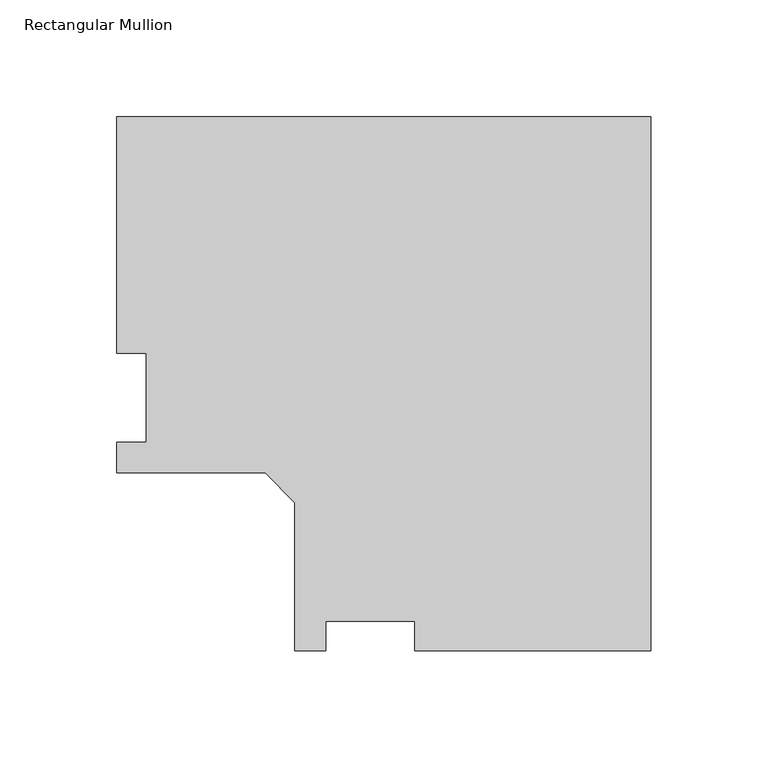
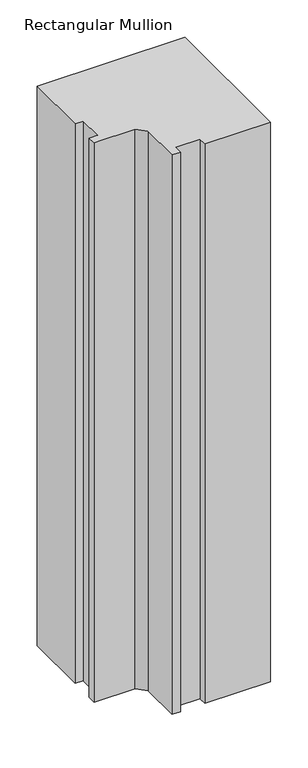
"""IFC4 building model written with IfcOpenShell, lengths in millimetres: member geometry, Rectangular Mullion."""

from ifc_helpers import new_model, si_unit, frame, origin, place, context, project, spatial, polyline, outline, extrude, source, transform, mapped, element, save


def rectangular_mullion_97e8f069(model_context):
    return source(origin(), model_context, "Body", "SweptSolid", [
        extrude(outline(polyline([(0.0, 152.4896938), (0.0, -76.1865062), (-101.1936, -76.1865062), (-101.1936, -63.4865063), (-139.2936, -63.4865063), (-139.2936, -76.1865062), (-152.4762, -76.1865062), (-152.4762, -12.6865062), (-165.1762, 0.0134938), (-228.6762, 0.0134938), (-228.6762, 13.1960938), (-215.9762, 13.1960938), (-215.9762, 51.2960938), (-228.6762, 51.2960937), (-228.6762, 152.4896937), (0.0, 152.4896938)])), frame((0.0, 0.0, -914.4), z_axis=(0.0, 0.0, 1.0), x_axis=(1.0, 0.0, 0.0)), (0.0, 0.0, 1.0), 914.4),
    ])


if __name__ == "__main__":
    model = new_model("IFC4")
    model_context = context("Model", 3, world=origin())
    ifc_project = project(units=[si_unit("LENGTHUNIT", "METRE", prefix="MILLI")], contexts=[model_context])
    site = spatial("IfcSite", under=ifc_project)
    building = spatial("IfcBuilding", under=site)
    placement = place(None, origin())
    rectangular_mullion_shape = rectangular_mullion_97e8f069(model_context)
    element("IfcMember", 1, ObjectType="Rectangular Mullion", at=placement, inside=building, context=model_context, shape_type="MappedRepresentation", body=[
        mapped(rectangular_mullion_shape, transform((0.0, 0.0, 0.0), x_axis=(1.0, 0.0, 0.0), y_axis=(0.0, 1.0, 0.0), z_axis=(0.0, 0.0, 1.0))),
    ])
    save(model, "model.ifc")
